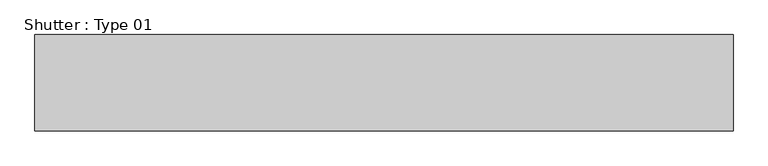
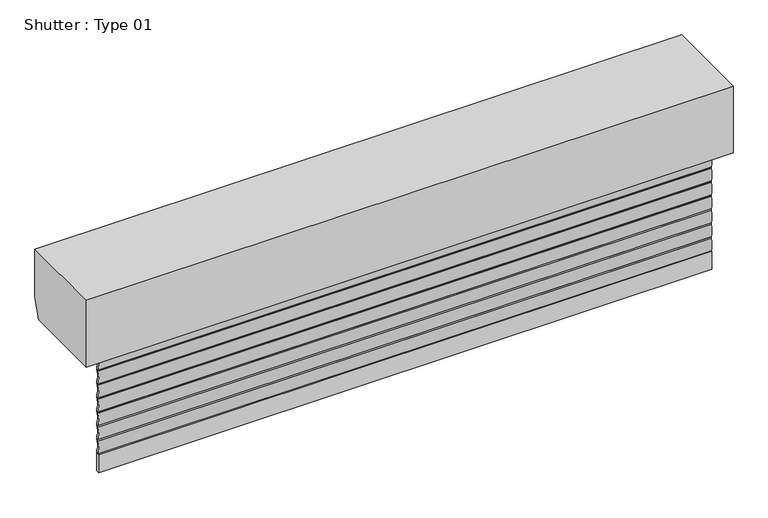
"""IFC4 building model written with IfcOpenShell, lengths in millimetres: furniture geometry, Shutter : Type 01."""

from ifc_helpers import new_model, si_unit, point, frame, frame_2d, origin, place, context, project, spatial, polyline, circle_curve, trimmed, segment, composite_curve, outline, extrude, source, transform, mapped, element, save


def shutter_type_01_1e14ff76(model_context):
    return source(origin(), model_context, "Body", "SweptSolid", [
        extrude(outline(composite_curve([segment(trimmed(circle_curve(frame_2d((-65.8667998, -254.6923024)), 34.5837487), [point((-96.2355079, -238.146087))], [point((-96.2355079, -271.2385177))], True, "CARTESIAN"), True, "CONTINUOUS"), segment(polyline([(-96.2355079, -271.2385177), (-96.2355079, -277.8371015), (-101.5625567, -277.8371015)]), True, "CONTINUOUS"), segment(trimmed(circle_curve(frame_2d((-51.4103161, -259.6512415)), 53.3476591), [point((-101.5625567, -277.8371015))], [point((-101.5625567, -241.4653816))], False, "CARTESIAN"), True, "CONTINUOUS"), segment(polyline([(-101.5625567, -241.4653816), (-101.5625567, -238.146087), (-96.2355079, -238.146087)]), True, "CONTINUOUS")], self_intersect=False)), frame((-825.0, 0.0, 0.0), z_axis=(1.0, 0.0, 0.0), x_axis=(0.0, 1.0, 0.0)), (0.0, 0.0, 1.0), 1650.0),
        extrude(outline(composite_curve([segment(trimmed(circle_curve(frame_2d((-65.8667998, -215.0012879)), 34.5837487), [point((-96.2355079, -198.4550725))], [point((-96.2355079, -231.5475032))], True, "CARTESIAN"), True, "CONTINUOUS"), segment(polyline([(-96.2355079, -231.5475032), (-96.2355079, -238.146087), (-101.5625567, -238.146087)]), True, "CONTINUOUS"), segment(trimmed(circle_curve(frame_2d((-51.4103161, -219.960227)), 53.3476591), [point((-101.5625567, -238.146087))], [point((-101.5625567, -201.7743671))], False, "CARTESIAN"), True, "CONTINUOUS"), segment(polyline([(-101.5625567, -201.7743671), (-101.5625567, -198.4550725), (-96.2355079, -198.4550725)]), True, "CONTINUOUS")], self_intersect=False)), frame((-825.0, 0.0, 0.0), z_axis=(1.0, 0.0, 0.0), x_axis=(0.0, 1.0, 0.0)), (0.0, 0.0, 1.0), 1650.0),
        extrude(outline(composite_curve([segment(trimmed(circle_curve(frame_2d((-65.8667998, -175.3102734)), 34.5837487), [point((-96.2355079, -158.764058))], [point((-96.2355079, -191.8564887))], True, "CARTESIAN"), True, "CONTINUOUS"), segment(polyline([(-96.2355079, -191.8564887), (-96.2355079, -198.4550725), (-101.5625567, -198.4550725)]), True, "CONTINUOUS"), segment(trimmed(circle_curve(frame_2d((-51.4103161, -180.2692125)), 53.3476591), [point((-101.5625567, -198.4550725))], [point((-101.5625567, -162.0833526))], False, "CARTESIAN"), True, "CONTINUOUS"), segment(polyline([(-101.5625567, -162.0833526), (-101.5625567, -158.764058), (-96.2355079, -158.764058)]), True, "CONTINUOUS")], self_intersect=False)), frame((-825.0, 0.0, 0.0), z_axis=(1.0, 0.0, 0.0), x_axis=(0.0, 1.0, 0.0)), (0.0, 0.0, 1.0), 1650.0),
        extrude(outline(composite_curve([segment(trimmed(circle_curve(frame_2d((-65.8667998, -135.6192589)), 34.5837487), [point((-96.2355079, -119.0730435))], [point((-96.2355079, -152.1654742))], True, "CARTESIAN"), True, "CONTINUOUS"), segment(polyline([(-96.2355079, -152.1654742), (-96.2355079, -158.764058), (-101.5625567, -158.764058)]), True, "CONTINUOUS"), segment(trimmed(circle_curve(frame_2d((-51.4103161, -140.578198)), 53.3476591), [point((-101.5625567, -158.764058))], [point((-101.5625567, -122.3923381))], False, "CARTESIAN"), True, "CONTINUOUS"), segment(polyline([(-101.5625567, -122.3923381), (-101.5625567, -119.0730435), (-96.2355079, -119.0730435)]), True, "CONTINUOUS")], self_intersect=False)), frame((-825.0, 0.0, 0.0), z_axis=(1.0, 0.0, 0.0), x_axis=(0.0, 1.0, 0.0)), (0.0, 0.0, 1.0), 1650.0),
        extrude(outline(composite_curve([segment(trimmed(circle_curve(frame_2d((-65.8667998, -95.9282444)), 34.5837487), [point((-96.2355079, -79.382029))], [point((-96.2355079, -112.4744597))], True, "CARTESIAN"), True, "CONTINUOUS"), segment(polyline([(-96.2355079, -112.4744597), (-96.2355079, -119.0730435), (-101.5625567, -119.0730435)]), True, "CONTINUOUS"), segment(trimmed(circle_curve(frame_2d((-51.4103161, -100.8871835)), 53.3476591), [point((-101.5625567, -119.0730435))], [point((-101.5625567, -82.7013236))], False, "CARTESIAN"), True, "CONTINUOUS"), segment(polyline([(-101.5625567, -82.7013236), (-101.5625567, -79.382029), (-96.2355079, -79.382029)]), True, "CONTINUOUS")], self_intersect=False)), frame((-825.0, 0.0, 0.0), z_axis=(1.0, 0.0, 0.0), x_axis=(0.0, 1.0, 0.0)), (0.0, 0.0, 1.0), 1650.0),
        extrude(outline(composite_curve([segment(trimmed(circle_curve(frame_2d((-65.8667998, -56.2372299)), 34.5837487), [point((-96.2355079, -39.6910145))], [point((-96.2355079, -72.7834452))], True, "CARTESIAN"), True, "CONTINUOUS"), segment(polyline([(-96.2355079, -72.7834452), (-96.2355079, -79.382029), (-101.5625567, -79.382029)]), True, "CONTINUOUS"), segment(trimmed(circle_curve(frame_2d((-51.4103161, -61.196169)), 53.3476591), [point((-101.5625567, -79.382029))], [point((-101.5625567, -43.0103091))], False, "CARTESIAN"), True, "CONTINUOUS"), segment(polyline([(-101.5625567, -43.0103091), (-101.5625567, -39.6910145), (-96.2355079, -39.6910145)]), True, "CONTINUOUS")], self_intersect=False)), frame((-825.0, 0.0, 0.0), z_axis=(1.0, 0.0, 0.0), x_axis=(0.0, 1.0, 0.0)), (0.0, 0.0, 1.0), 1650.0),
        extrude(outline(composite_curve([segment(trimmed(circle_curve(frame_2d((-65.8667998, -16.5462154)), 34.5837487), [point((-96.2355079, 0.0))], [point((-96.2355079, -33.0924307))], True, "CARTESIAN"), True, "CONTINUOUS"), segment(polyline([(-96.2355079, -33.0924307), (-96.2355079, -39.6910145), (-101.5625567, -39.6910145)]), True, "CONTINUOUS"), segment(trimmed(circle_curve(frame_2d((-51.4103161, -21.5051546)), 53.3476591), [point((-101.5625567, -39.6910145))], [point((-101.5625567, -3.3192946))], False, "CARTESIAN"), True, "CONTINUOUS"), segment(polyline([(-101.5625567, -3.3192946), (-101.5625567, 0.0), (-96.2355079, 0.0)]), True, "CONTINUOUS")], self_intersect=False)), frame((-825.0, 0.0, 0.0), z_axis=(1.0, 0.0, 0.0), x_axis=(0.0, 1.0, 0.0)), (0.0, 0.0, 1.0), 1650.0),
        extrude(outline(polyline([(-825.0, -96.2355079), (825.0, -96.2355079), (825.0, -104.7579752), (-825.0, -104.7579752), (-825.0, -96.2355079)])), frame((0.0, 0.0, -328.8371015), z_axis=(0.0, 0.0, 1.0), x_axis=(1.0, 0.0, 0.0)), (0.0, 0.0, 1.0), 51.0),
        extrude(outline(polyline([(113.7703978, 190.0), (113.7703978, 53.6407749), (95.3003978, 0.0), (-126.2297613, 0.0), (-126.2297613, 190.0), (113.7703978, 190.0)])), frame((-870.0, 0.0, 0.0), z_axis=(1.0, 0.0, 0.0), x_axis=(0.0, 1.0, 0.0)), (0.0, 0.0, 1.0), 1740.0),
    ])


if __name__ == "__main__":
    model = new_model("IFC4")
    model_context = context("Model", 3, world=origin())
    ifc_project = project(units=[si_unit("LENGTHUNIT", "METRE", prefix="MILLI")], contexts=[model_context])
    site = spatial("IfcSite", under=ifc_project)
    building = spatial("IfcBuilding", under=site)
    placement = place(None, origin())
    shutter_type_01_shape = shutter_type_01_1e14ff76(model_context)
    element("IfcFurniture", 1, ObjectType="Shutter : Type 01", at=placement, inside=building, context=model_context, shape_type="MappedRepresentation", body=[
        mapped(shutter_type_01_shape, transform((0.0, 0.0, 0.0), x_axis=(1.0, 0.0, 0.0), y_axis=(0.0, 1.0, 0.0), z_axis=(0.0, 0.0, 1.0))),
    ])
    save(model, "model.ifc")
